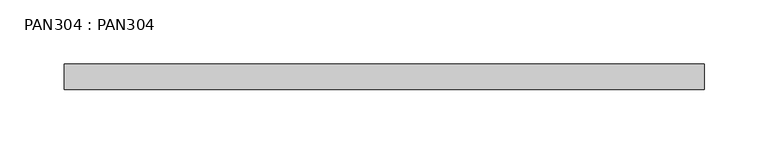
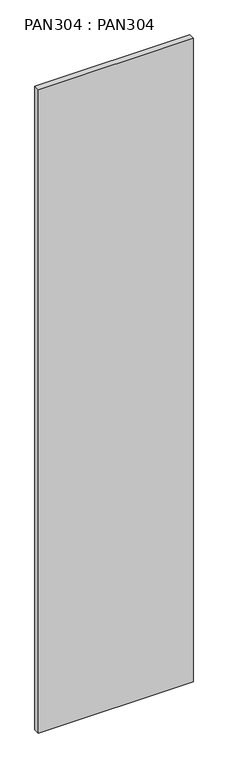
"""IFC4 building model written with IfcOpenShell, lengths in millimetres: proxy geometry, PAN304 : PAN304."""

from ifc_helpers import new_model, si_unit, origin, origin_with_axes, place, context, project, spatial, polyline, outline, extrude, source, transform, mapped, element, save


def pan304_pan304_2c0ccd22(model_context):
    return source(origin(), model_context, "Body", "SweptSolid", [
        extrude(outline(polyline([(500.0, 20.0), (500.0, 0.0), (0.0, 0.0), (0.0, 20.0), (500.0, 20.0)])), origin_with_axes(), (0.0, 0.0, 1.0), 2200.0),
    ])


if __name__ == "__main__":
    model = new_model("IFC4")
    model_context = context("Model", 3, world=origin())
    ifc_project = project(units=[si_unit("LENGTHUNIT", "METRE", prefix="MILLI")], contexts=[model_context])
    site = spatial("IfcSite", under=ifc_project)
    building = spatial("IfcBuilding", under=site)
    placement = place(None, origin())
    pan304_pan304_shape = pan304_pan304_2c0ccd22(model_context)
    element("IfcBuildingElementProxy", 1, Name="PAN304 : PAN304", ObjectType="PAN304 : PAN304", at=placement, inside=building, context=model_context, shape_type="MappedRepresentation", body=[
        mapped(pan304_pan304_shape, transform((0.0, 0.0, 0.0), x_axis=(1.0, 0.0, 0.0), y_axis=(0.0, 1.0, 0.0), z_axis=(0.0, 0.0, 1.0))),
    ])
    save(model, "model.ifc")
